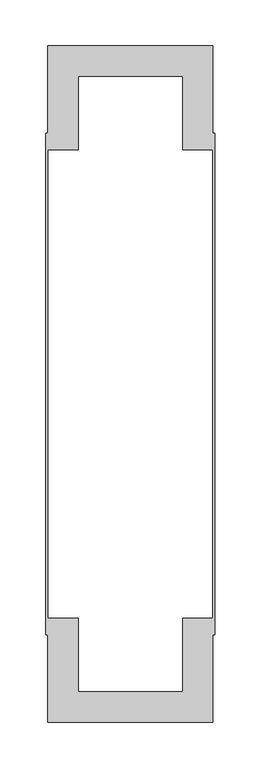
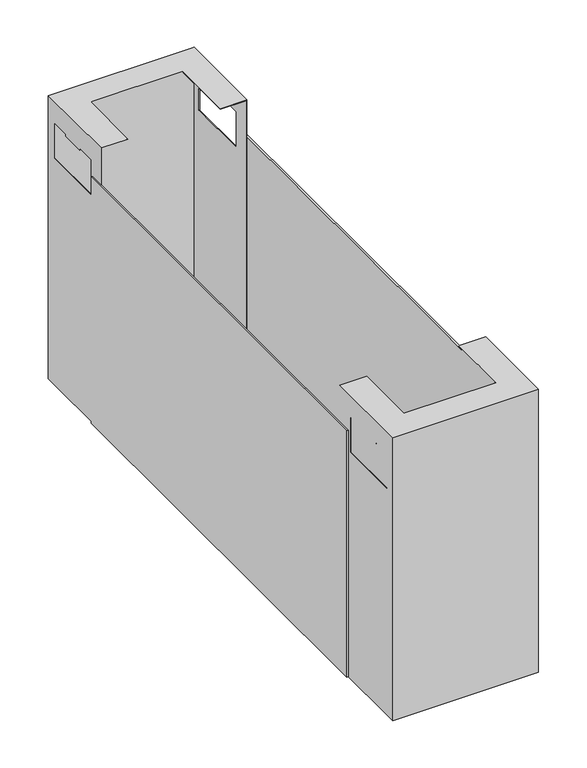
"""IFC4 building model written with IfcOpenShell, lengths in millimetres: furniture geometry."""

from ifc_helpers import new_model, si_unit, origin, place, context, project, spatial, triangles, source, transform, mapped, element, save


def furniture_89a78f4d(model_context):
    return source(origin(), model_context, "Body", "Tessellation", [
        triangles([(1566.5205948, 4266.1568817, 442.1000133), (1388.320589, 4266.1568817, 442.1000133), (1566.5205948, 4266.1568817, 73.0), (1388.320589, 4266.1568817, 73.0), (1387.4205894, 4267.0568813, 442.9999947), (1420.4205918, 4234.0568834, 442.9999947), (1567.4205944, 4267.0568813, 442.9999947), (1534.420592, 4234.0568834, 442.9999947), (1567.4205944, 4154.0568791, 442.9999947), (1534.420592, 4154.0568791, 442.9999947), (1387.4205894, 4154.0568791, 442.9999947), (1420.4205918, 4154.0568791, 442.9999947), (1387.4205894, 4267.0568813, 73.0), (1567.4205944, 4267.0568813, 73.0), (1388.320589, 4175.6568813, 368.3000121), (1388.320589, 4255.0568825, 368.3000121), (1388.320589, 4255.0568825, 414.7000142), (1388.320589, 4230.3568821, 414.7000142), (1388.320589, 4200.3568811, 414.7000142), (1388.320589, 4230.3568821, 412.1999851), (1388.320589, 4200.3568811, 412.1999851), (1388.320589, 4175.6568813, 414.7000142), (1388.320589, 4154.0568791, 442.1000133), (1388.320589, 4154.0568791, 73.0), (1567.4205944, 4175.6568813, 414.7000142), (1567.4205944, 4175.6568813, 368.3000121), (1567.4205944, 4154.0568791, 73.0), (1567.4205944, 4200.3568811, 414.7000142), (1567.4205944, 4230.3568821, 414.7000142), (1567.4205944, 4255.0568825, 414.7000142), (1567.4205944, 4200.3568811, 412.1999851), (1567.4205944, 4230.3568821, 412.1999851), (1567.4205944, 4255.0568825, 368.3000121), (1420.4205918, 4234.0568834, 442.1000133), (1534.420592, 4234.0568834, 442.1000133), (1566.5205948, 4154.0568791, 442.1000133), (1534.420592, 4154.0568791, 442.1000133), (1420.4205918, 4154.0568791, 442.1000133), (1387.4205894, 4255.0568825, 368.3000121), (1387.4205894, 4255.0568825, 414.7000142), (1387.4205894, 4230.3568821, 414.7000142), (1387.4205894, 4175.6568813, 368.3000121), (1387.4205894, 4154.0568791, 73.0), (1387.4205894, 4200.3568811, 414.7000142), (1387.4205894, 4175.6568813, 414.7000142), (1387.4205894, 4230.3568821, 412.1999851), (1387.4205894, 4200.3568811, 412.1999851), (1566.5205948, 4255.0568825, 368.3000121), (1566.5205948, 4255.0568825, 414.7000142), (1566.5205948, 4230.3568821, 414.7000142), (1566.5205948, 4175.6568813, 368.3000121), (1566.5205948, 4154.0568791, 73.0), (1566.5205948, 4200.3568811, 414.7000142), (1566.5205948, 4175.6568813, 414.7000142), (1566.5205948, 4230.3568821, 412.1999851), (1566.5205948, 4200.3568811, 412.1999851), (1569.5205934, 4172.0068804, 73.0), (1567.4205944, 4172.0068804, 73.0), (1569.5205934, 4172.0068804, 395.0000175), (1567.4205944, 4172.0068804, 395.0000175), (1569.5205934, 3625.1068891, 73.0), (1569.5205934, 3625.1068891, 395.0000175), (1567.4205944, 3625.1068891, 73.0), (1567.4205944, 3625.1068891, 395.0000175), (1387.4205894, 4172.0068804, 73.0), (1385.3205904, 4172.0068804, 73.0), (1387.4205894, 4172.0068804, 395.0000175), (1385.3205904, 4172.0068804, 395.0000175), (1387.4205894, 3625.1068891, 73.0), (1387.4205894, 3625.1068891, 395.0000175), (1385.3205904, 3625.1068891, 73.0), (1385.3205904, 3625.1068891, 395.0000175), (1388.320589, 3530.9568583, 442.1000133), (1566.5205948, 3530.9568583, 442.1000133), (1388.320589, 3530.9568583, 73.0), (1566.5205948, 3530.9568583, 73.0), (1387.4205894, 3643.0568836, 442.9999947), (1387.4205894, 3530.0569133, 442.9999947), (1420.4205918, 3563.0568612, 442.9999947), (1567.4205944, 3530.0569133, 442.9999947), (1534.420592, 3563.0568612, 442.9999947), (1567.4205944, 3643.0568836, 442.9999947), (1534.420592, 3643.0568836, 442.9999947), (1420.4205918, 3643.0568836, 442.9999947), (1567.4205944, 3530.0569133, 73.0), (1387.4205894, 3530.0569133, 73.0), (1388.320589, 3542.0569075, 368.3000121), (1388.320589, 3621.4568939, 368.3000121), (1388.320589, 3643.0568836, 73.0), (1388.320589, 3643.0568836, 442.1000133), (1388.320589, 3542.0569075, 414.7000142), (1388.320589, 3566.7568534, 414.7000142), (1388.320589, 3566.7568534, 412.1999851), (1388.320589, 3596.7568754, 412.1999851), (1388.320589, 3596.7568754, 414.7000142), (1388.320589, 3621.4568939, 414.7000142), (1567.4205944, 3596.7568754, 414.7000142), (1567.4205944, 3621.4568939, 414.7000142), (1567.4205944, 3621.4568939, 368.3000121), (1567.4205944, 3643.0568836, 73.0), (1567.4205944, 3542.0569075, 368.3000121), (1567.4205944, 3542.0569075, 414.7000142), (1567.4205944, 3566.7568534, 414.7000142), (1567.4205944, 3566.7568534, 412.1999851), (1567.4205944, 3596.7568754, 412.1999851), (1420.4205918, 3563.0568612, 442.1000133), (1534.420592, 3563.0568612, 442.1000133), (1566.5205948, 3643.0568836, 442.1000133), (1534.420592, 3643.0568836, 442.1000133), (1420.4205918, 3643.0568836, 442.1000133), (1387.4205894, 3542.0569075, 368.3000121), (1387.4205894, 3621.4568939, 368.3000121), (1387.4205894, 3643.0568836, 73.0), (1387.4205894, 3621.4568939, 414.7000142), (1387.4205894, 3596.7568754, 414.7000142), (1387.4205894, 3566.7568534, 414.7000142), (1387.4205894, 3542.0569075, 414.7000142), (1387.4205894, 3596.7568754, 412.1999851), (1387.4205894, 3566.7568534, 412.1999851), (1566.5205948, 3542.0569075, 368.3000121), (1566.5205948, 3621.4568939, 368.3000121), (1566.5205948, 3643.0568836, 73.0), (1566.5205948, 3621.4568939, 414.7000142), (1566.5205948, 3596.7568754, 414.7000142), (1566.5205948, 3566.7568534, 414.7000142), (1566.5205948, 3542.0569075, 414.7000142), (1566.5205948, 3596.7568754, 412.1999851), (1566.5205948, 3566.7568534, 412.1999851)], [[1, 2, 3], [3, 2, 4], [5, 6, 7], [7, 6, 8], [7, 8, 9], [9, 8, 10], [5, 11, 6], [6, 11, 12], [5, 7, 13], [13, 7, 14], [15, 4, 16], [2, 16, 4], [16, 2, 17], [18, 17, 2], [19, 18, 2], [18, 19, 20], [20, 19, 21], [15, 22, 23], [24, 15, 23], [15, 24, 4], [23, 22, 19], [23, 19, 2], [26, 25, 9], [27, 26, 9], [26, 27, 14], [9, 25, 28], [9, 28, 7], [7, 28, 29], [7, 29, 30], [31, 32, 28], [28, 32, 29], [7, 30, 33], [7, 33, 14], [14, 33, 26], [23, 2, 34], [1, 34, 2], [34, 1, 35], [36, 35, 1], [35, 36, 37], [34, 38, 23], [34, 35, 6], [6, 35, 8], [6, 12, 34], [34, 12, 38], [13, 39, 5], [5, 39, 40], [5, 40, 41], [42, 39, 13], [42, 13, 43], [11, 42, 43], [5, 44, 11], [11, 44, 45], [11, 45, 42], [46, 47, 41], [41, 47, 44], [5, 41, 44], [35, 37, 8], [8, 37, 10], [3, 48, 1], [1, 48, 49], [1, 49, 50], [51, 48, 3], [51, 3, 52], [36, 51, 52], [1, 53, 36], [36, 53, 54], [36, 54, 51], [55, 56, 50], [50, 56, 53], [1, 50, 53], [25, 26, 54], [54, 26, 51], [26, 33, 51], [51, 33, 48], [33, 30, 48], [48, 30, 49], [55, 50, 32], [32, 50, 29], [32, 31, 55], [55, 31, 56], [30, 29, 49], [49, 29, 50], [28, 25, 53], [53, 25, 54], [31, 28, 56], [56, 28, 53], [39, 42, 16], [16, 42, 15], [42, 45, 15], [15, 45, 22], [40, 39, 17], [17, 39, 16], [20, 21, 46], [46, 21, 47], [46, 41, 20], [20, 41, 18], [41, 40, 18], [18, 40, 17], [21, 19, 47], [47, 19, 44], [45, 44, 22], [22, 44, 19], [38, 12, 23], [11, 23, 12], [43, 23, 11], [43, 24, 23], [24, 43, 4], [13, 4, 43], [14, 4, 13], [4, 14, 3], [27, 3, 14], [3, 27, 52], [52, 27, 36], [9, 36, 27], [10, 36, 9], [10, 37, 36], [57, 58, 59], [59, 58, 60], [61, 57, 62], [62, 57, 59], [63, 61, 64], [64, 61, 62], [58, 63, 60], [60, 63, 64], [64, 62, 60], [60, 62, 59], [58, 57, 63], [63, 57, 61], [65, 66, 67], [67, 66, 68], [69, 65, 70], [70, 65, 67], [71, 69, 72], [72, 69, 70], [66, 71, 68], [68, 71, 72], [72, 70, 68], [68, 70, 67], [66, 65, 71], [71, 65, 69], [73, 74, 75], [75, 74, 76], [77, 78, 79], [80, 79, 78], [79, 80, 81], [82, 81, 80], [81, 82, 83], [79, 84, 77], [80, 78, 85], [85, 78, 86], [88, 87, 75], [88, 75, 89], [90, 88, 89], [75, 87, 73], [73, 87, 91], [73, 91, 92], [93, 94, 92], [92, 94, 95], [73, 92, 95], [73, 95, 90], [90, 95, 96], [90, 96, 88], [97, 98, 82], [82, 98, 99], [82, 99, 100], [100, 99, 85], [85, 99, 101], [85, 101, 80], [80, 101, 102], [80, 102, 103], [104, 105, 103], [103, 105, 97], [80, 103, 97], [80, 97, 82], [73, 106, 74], [74, 106, 107], [74, 107, 108], [108, 107, 109], [73, 90, 106], [106, 90, 110], [79, 81, 106], [106, 81, 107], [106, 110, 79], [79, 110, 84], [78, 111, 86], [86, 111, 112], [86, 112, 113], [113, 112, 77], [77, 112, 114], [77, 114, 115], [77, 115, 78], [78, 115, 116], [78, 116, 117], [118, 119, 115], [115, 119, 116], [78, 117, 111], [109, 107, 83], [83, 107, 81], [74, 120, 76], [76, 120, 121], [76, 121, 122], [122, 121, 108], [108, 121, 123], [108, 123, 124], [108, 124, 74], [74, 124, 125], [74, 125, 126], [127, 128, 124], [124, 128, 125], [74, 126, 120], [99, 98, 121], [121, 98, 123], [101, 99, 120], [120, 99, 121], [102, 101, 126], [126, 101, 120], [125, 128, 103], [103, 128, 104], [128, 127, 104], [104, 127, 105], [103, 102, 125], [125, 102, 126], [98, 97, 123], [123, 97, 124], [97, 105, 124], [124, 105, 127], [112, 111, 88], [88, 111, 87], [114, 112, 96], [96, 112, 88], [111, 117, 87], [87, 117, 91], [94, 93, 118], [118, 93, 119], [93, 92, 119], [119, 92, 116], [117, 116, 91], [91, 116, 92], [95, 94, 115], [115, 94, 118], [115, 114, 95], [95, 114, 96], [113, 77, 90], [84, 90, 77], [90, 84, 110], [90, 89, 113], [85, 86, 75], [113, 75, 86], [75, 113, 89], [75, 76, 85], [85, 76, 100], [100, 76, 122], [83, 82, 108], [100, 108, 82], [108, 100, 122], [108, 109, 83]]),
    ])


if __name__ == "__main__":
    model = new_model("IFC4")
    model_context = context("Model", 3, world=origin())
    ifc_project = project(units=[si_unit("LENGTHUNIT", "METRE", prefix="MILLI")], contexts=[model_context])
    site = spatial("IfcSite", under=ifc_project)
    building = spatial("IfcBuilding", under=site)
    placement = place(None, origin())
    furniture_shape = furniture_89a78f4d(model_context)
    element("IfcFurniture", 1, at=placement, inside=building, context=model_context, shape_type="MappedRepresentation", body=[
        mapped(furniture_shape, transform((0.0, 0.0, 0.0), x_axis=(1.0, 0.0, 0.0), y_axis=(0.0, 1.0, 0.0), z_axis=(0.0, 0.0, 1.0))),
    ])
    save(model, "model.ifc")
